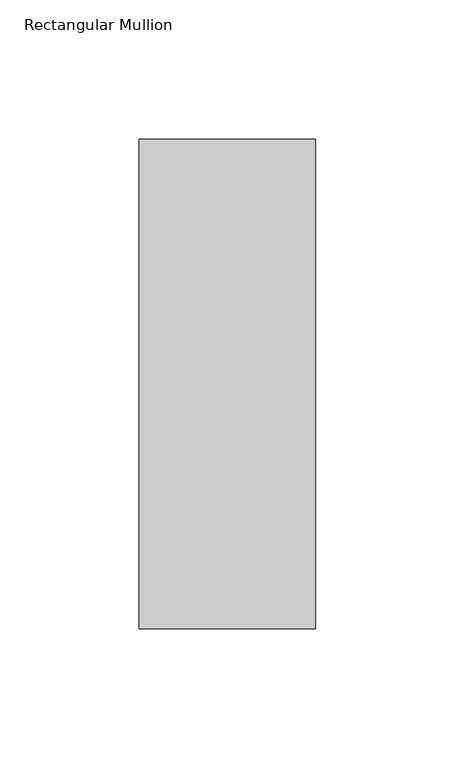
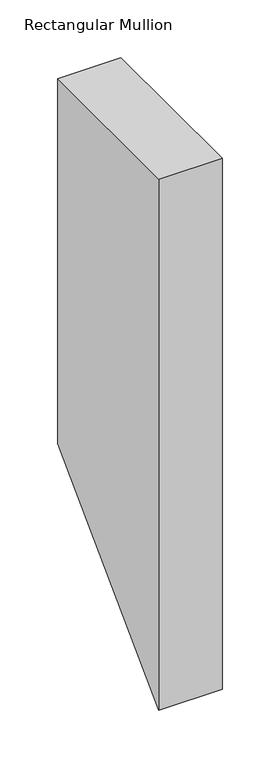
"""IFC4 building model written with IfcOpenShell, lengths in millimetres: member geometry, Rectangular Mullion."""

from ifc_helpers import new_model, si_unit, frame, origin, place, context, project, spatial, polyline, outline, extrude, source, transform, mapped, element, save


def rectangular_mullion_79dc5f41(model_context):
    return source(origin(), model_context, "Body", "SweptSolid", [
        extrude(outline(polyline([(46.7447302, 0.0), (222.5381312, 0.0), (222.5381312, -387.0618688), (46.7447302, -562.8552698), (46.7447302, 0.0)])), frame((-63.5, 0.0, 0.0), z_axis=(1.0, 0.0, 0.0), x_axis=(0.0, 1.0, 0.0)), (0.0, 0.0, 1.0), 63.4999995),
    ])


if __name__ == "__main__":
    model = new_model("IFC4")
    model_context = context("Model", 3, world=origin())
    ifc_project = project(units=[si_unit("LENGTHUNIT", "METRE", prefix="MILLI")], contexts=[model_context])
    site = spatial("IfcSite", under=ifc_project)
    building = spatial("IfcBuilding", under=site)
    placement = place(None, origin())
    rectangular_mullion_shape = rectangular_mullion_79dc5f41(model_context)
    element("IfcMember", 1, ObjectType="Rectangular Mullion", at=placement, inside=building, context=model_context, shape_type="MappedRepresentation", body=[
        mapped(rectangular_mullion_shape, transform((0.0, 0.0, 0.0), x_axis=(1.0, 0.0, 0.0), y_axis=(0.0, 1.0, 0.0), z_axis=(0.0, 0.0, 1.0))),
    ])
    save(model, "model.ifc")
